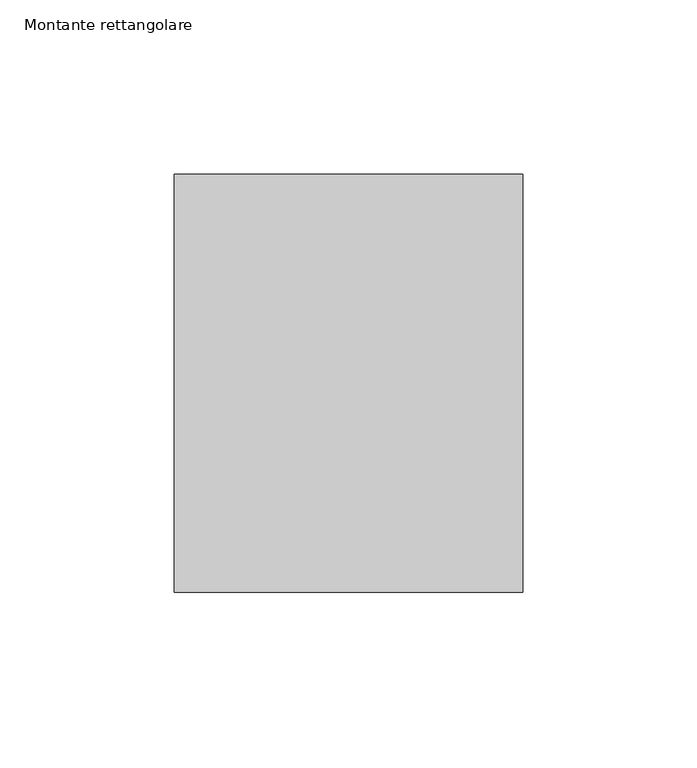
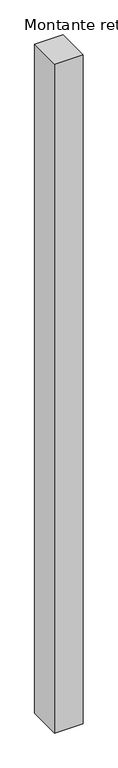
"""IFC4 building model written with IfcOpenShell, lengths in millimetres: member geometry, Montante rettangolare."""

from ifc_helpers import new_model, si_unit, frame, origin, place, context, project, spatial, polyline, outline, extrude, source, transform, mapped, element, save


def montante_rettangolare_a9110ed4(model_context):
    return source(origin(), model_context, "Body", "SweptSolid", [
        extrude(outline(polyline([(50.0, 60.0), (50.0, -60.0), (-50.0, -60.0), (-50.0, 60.0), (50.0, 60.0)])), frame((0.0, 0.0, -2475.0), z_axis=(0.0, 0.0, 1.0), x_axis=(1.0, 0.0, 0.0)), (0.0, 0.0, 1.0), 2475.0),
    ])


if __name__ == "__main__":
    model = new_model("IFC4")
    model_context = context("Model", 3, world=origin())
    ifc_project = project(units=[si_unit("LENGTHUNIT", "METRE", prefix="MILLI")], contexts=[model_context])
    site = spatial("IfcSite", under=ifc_project)
    building = spatial("IfcBuilding", under=site)
    placement = place(None, origin())
    montante_rettangolare_shape = montante_rettangolare_a9110ed4(model_context)
    element("IfcMember", 1, ObjectType="Montante rettangolare", at=placement, inside=building, context=model_context, shape_type="MappedRepresentation", body=[
        mapped(montante_rettangolare_shape, transform((0.0, 0.0, 0.0), x_axis=(1.0, 0.0, 0.0), y_axis=(0.0, 1.0, 0.0), z_axis=(0.0, 0.0, 1.0))),
    ])
    save(model, "model.ifc")
